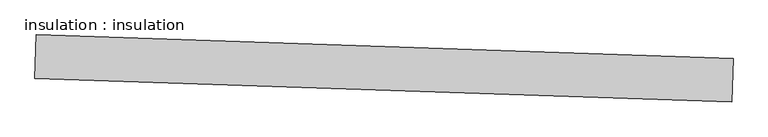
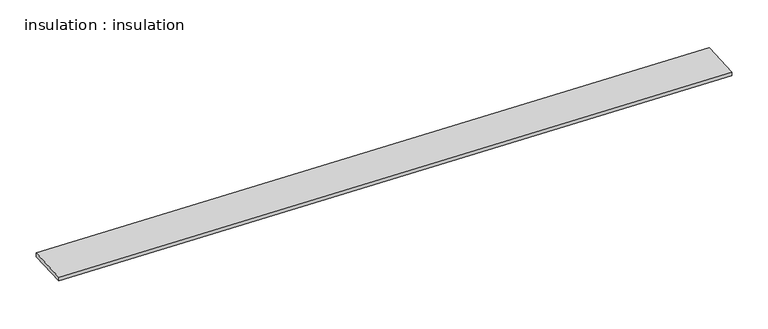
"""IFC4 building model written with IfcOpenShell, lengths in millimetres: proxy geometry, insulation : insulation."""

from ifc_helpers import new_model, si_unit, frame, origin, place, context, project, spatial, polyline, outline, extrude, source, transform, mapped, element, save


def insulation_insulation_ce21e03a(model_context):
    return source(origin(), model_context, "Body", "SweptSolid", [
        extrude(outline(polyline([(17259.5910722, -15943.4418958), (17296.129149, -14875.7577541), (34354.9495706, -15459.5413526), (34318.4114939, -16527.2254942), (17259.5910722, -15943.4418958)])), frame((0.0, 0.0, 4642.800708), z_axis=(0.0, 0.0, 1.0), x_axis=(1.0, 0.0, 0.0)), (0.0, 0.0, 1.0), 101.6),
    ])


if __name__ == "__main__":
    model = new_model("IFC4")
    model_context = context("Model", 3, world=origin())
    ifc_project = project(units=[si_unit("LENGTHUNIT", "METRE", prefix="MILLI")], contexts=[model_context])
    site = spatial("IfcSite", under=ifc_project)
    building = spatial("IfcBuilding", under=site)
    placement = place(None, origin())
    insulation_insulation_shape = insulation_insulation_ce21e03a(model_context)
    element("IfcBuildingElementProxy", 1, Name="insulation : insulation", ObjectType="insulation : insulation", at=placement, inside=building, context=model_context, shape_type="MappedRepresentation", body=[
        mapped(insulation_insulation_shape, transform((0.0, 0.0, 0.0), x_axis=(1.0, 0.0, 0.0), y_axis=(0.0, 1.0, 0.0), z_axis=(0.0, 0.0, 1.0))),
    ])
    save(model, "model.ifc")
